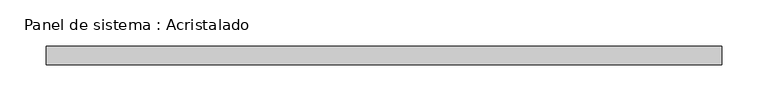
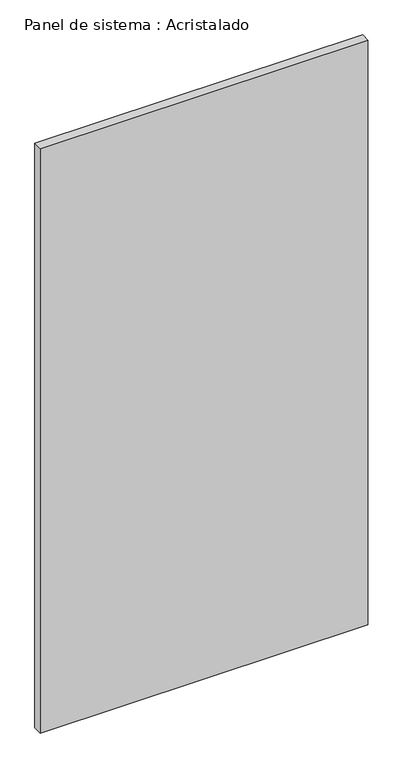
"""IFC4 building model written with IfcOpenShell, lengths in millimetres: plate geometry, Panel de sistema : Acristalado."""

from ifc_helpers import new_model, si_unit, origin, origin_with_axes, place, context, project, spatial, polyline, outline, extrude, source, transform, mapped, element, save


def panel_de_sistema_acristalado_efc80018(model_context):
    return source(origin(), model_context, "Body", "SweptSolid", [
        extrude(outline(polyline([(366.5, -10.0), (-366.5, -10.0), (-366.5, 10.0), (366.5, 10.0), (366.5, -10.0)])), origin_with_axes(), (0.0, 0.0, 1.0), 1382.4904288),
    ])


if __name__ == "__main__":
    model = new_model("IFC4")
    model_context = context("Model", 3, world=origin())
    ifc_project = project(units=[si_unit("LENGTHUNIT", "METRE", prefix="MILLI")], contexts=[model_context])
    site = spatial("IfcSite", under=ifc_project)
    building = spatial("IfcBuilding", under=site)
    placement = place(None, origin())
    panel_de_sistema_acristalado_shape = panel_de_sistema_acristalado_efc80018(model_context)
    element("IfcPlate", 1, ObjectType="Panel de sistema : Acristalado", at=placement, inside=building, context=model_context, shape_type="MappedRepresentation", body=[
        mapped(panel_de_sistema_acristalado_shape, transform((0.0, 0.0, 0.0), x_axis=(1.0, 0.0, 0.0), y_axis=(0.0, 1.0, 0.0), z_axis=(0.0, 0.0, 1.0))),
    ])
    save(model, "model.ifc")
